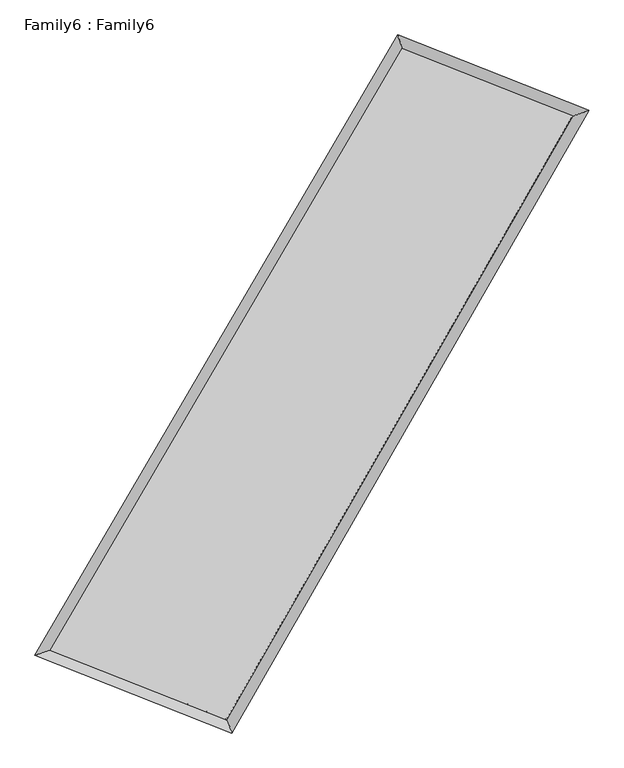
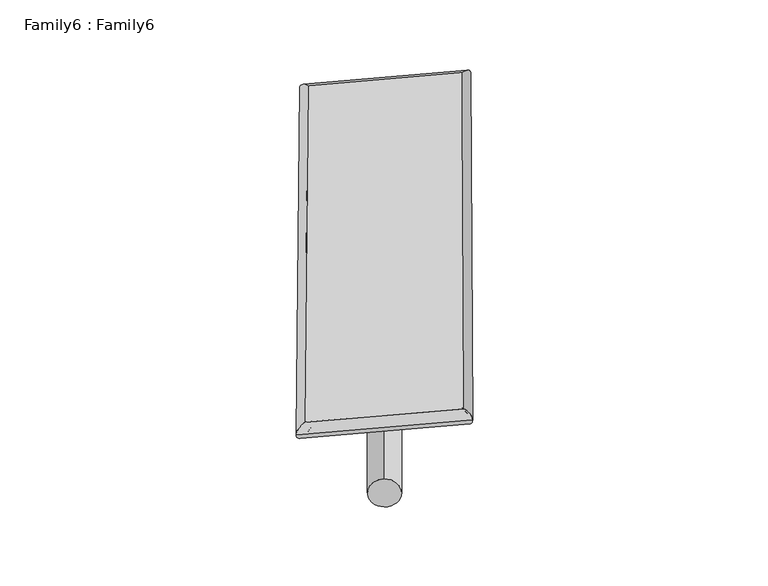
"""IFC4 building model written with IfcOpenShell, lengths in millimetres: plate geometry, Family6 : Family6."""

from ifc_helpers import new_model, si_unit, point, frame, origin, origin_2d, place, context, project, spatial, circle_curve, ellipse_curve, trimmed, segment, composite_curve, outline, extrude, source, transform, mapped, element, save
from ifc_brep_helpers import plane_surface, cylinder_surface, spline_surface, advanced_brep


def family6_family6_0c6d3be4(model_context):
    return source(origin(), model_context, "Body", "SolidModel", [
        extrude(outline(composite_curve([segment(trimmed(circle_curve(origin_2d(), 76.2), [point((-75.4341514, -10.7763074))], [point((75.4341514, 10.7763074))], False, "CARTESIAN"), True, "CONTINUOUS"), segment(trimmed(circle_curve(origin_2d(), 76.2), [point((75.4341514, 10.7763074))], [point((-75.4341514, -10.7763074))], False, "CARTESIAN"), True, "CONTINUOUS")], self_intersect=False)), frame((9144.0, 9144.0, 0.0), z_axis=(0.6736005661143486, 0.6914691045828392, 0.26102251768350515), x_axis=(-0.6822415987235434, 0.7175507551699223, -0.14024020367290455)), (0.0, 0.0, 1.0), 5844.9512128),
        extrude(outline(composite_curve([segment(trimmed(circle_curve(origin_2d(), 76.2), [point((-53.8815367, 53.8815367))], [point((53.8815367, -53.8815367))], False, "CARTESIAN"), True, "CONTINUOUS"), segment(trimmed(circle_curve(origin_2d(), 76.2), [point((53.8815367, -53.8815367))], [point((-53.8815367, 53.8815367))], False, "CARTESIAN"), True, "CONTINUOUS")], self_intersect=False)), frame((9144.0, 9144.0, 0.0), z_axis=(-0.6787750967955263, -0.6866995032290696, 0.26020791731838827), x_axis=(0.6328833200429623, -0.3673156577029362, 0.6815701804052586)), (0.0, 0.0, 1.0), 5863.7083644),
        extrude(outline(composite_curve([segment(trimmed(circle_curve(origin_2d(), 76.2), [point((-53.8815368, -53.8815367))], [point((53.8815368, 53.8815367))], False, "CARTESIAN"), True, "CONTINUOUS"), segment(trimmed(circle_curve(origin_2d(), 76.2), [point((53.8815368, 53.8815367))], [point((-53.8815368, -53.8815367))], False, "CARTESIAN"), True, "CONTINUOUS")], self_intersect=False)), frame((9144.0, 9144.0, 0.0), z_axis=(0.2451510004083825, 0.9285955641302539, 0.27858798480262004), x_axis=(-0.8459692296469801, 0.3452526113995301, -0.4063701475407614)), (0.0, 0.0, 1.0), 5457.9872852),
        extrude(outline(composite_curve([segment(trimmed(circle_curve(origin_2d(), 76.2), [point((-75.4341514, 10.7763073))], [point((75.4341514, -10.7763073))], False, "CARTESIAN"), True, "CONTINUOUS"), segment(trimmed(circle_curve(origin_2d(), 76.2), [point((75.4341514, -10.7763073))], [point((-75.4341514, 10.7763073))], False, "CARTESIAN"), True, "CONTINUOUS")], self_intersect=False)), frame((9144.0, 9144.0, 0.0), z_axis=(-0.2372067512369655, -0.9307300801053053, 0.2783423703908129), x_axis=(0.8885756211713803, -0.09206766282418527, 0.4493961625581463)), (0.0, 0.0, 1.0), 5463.6864873),
        advanced_brep(
        [(4942.5610546, 5040.8515095, 1525.4363675), (4942.5602049, 5040.8504069, 1526.2405256), (5385.1605201, 5193.9372487, 1526.1303151), (10547.6105113, 14022.5006547, 1521.0304841), (10416.451575, 14402.0249095, 1520.0288736), (5385.1613699, 5193.9383512, 1525.3261569), (12861.3242258, 13108.5813371, 1525.6008858), (13301.000666, 13262.6250259, 1525.7268768), (7781.3120211, 4248.8997182, 1520.8555352), (7914.6413361, 3868.6655578, 1520.6953607)],
        [
            (0, 1, ellipse_curve(frame((5163.8607874, 5117.3943791, 1525.7833413), z_axis=(-0.3268795513962672, 0.9450655298831953, 0.0009503186679035657), x_axis=(-0.9450644764728137, -0.3268806666436222, 0.0014714223688599409)), 234.1648005, 152.4)),
            (1, 2, ellipse_curve(frame((5163.8607874, 5117.3943791, 1525.7833413), z_axis=(-0.3268795513962672, 0.9450655298831953, 0.0009503186679035657), x_axis=(-0.9450644764728137, -0.3268806666436222, 0.0014714223688599409)), 234.1648005, 152.4)),
            (2, 3),
            (3, 4, ellipse_curve(frame((10482.0310432, 14212.2627821, 1520.5296789), z_axis=(-0.9451502554200367, -0.32663468469103285, -0.0008817234424888865), x_axis=(0.3266327909760449, -0.945149618531149, 0.0017940037967796455)), 200.7749909, 152.4)),
            (4, 0),
            (2, 5, ellipse_curve(frame((5163.8607874, 5117.3943791, 1525.7833413), z_axis=(-0.3268795513962672, 0.9450655298831953, 0.0009503186679035657), x_axis=(-0.9450644764728137, -0.3268806666436222, 0.0014714223688599409)), 234.1648005, 152.4)),
            (5, 0, ellipse_curve(frame((5163.8607874, 5117.3943791, 1525.7833413), z_axis=(-0.3268795513962672, 0.9450655298831953, 0.0009503186679035657), x_axis=(-0.9450644764728137, -0.3268806666436222, 0.0014714223688599409)), 234.1648005, 152.4)),
            (4, 3, ellipse_curve(frame((10482.0310432, 14212.2627821, 1520.5296789), z_axis=(-0.9451502554200367, -0.32663468469103285, -0.0008817234424888865), x_axis=(0.3266327909760449, -0.945149618531149, 0.0017940037967796455)), 200.7749909, 152.4)),
            (3, 6),
            (6, 7, ellipse_curve(frame((13081.1624459, 13185.6031815, 1525.6638813), z_axis=(-0.33065005290032523, 0.9437528501547529, -0.0010489717788280148), x_axis=(-0.9437517486975099, -0.33065135849280464, -0.001521826946391585)), 232.9406041, 152.4)),
            (7, 4),
            (7, 6, ellipse_curve(frame((13081.1624459, 13185.6031815, 1525.6638813), z_axis=(-0.33065005290032523, 0.9437528501547529, -0.0010489717788280148), x_axis=(-0.9437517486975099, -0.33065135849280464, -0.001521826946391585)), 232.9406041, 152.4)),
            (6, 8),
            (8, 9, ellipse_curve(frame((7847.9766786, 4058.782638, 1520.7754479), z_axis=(0.9436663390978404, 0.330897468549068, -0.0008400961244637797), x_axis=(-0.33089578372825756, 0.9436658047255752, 0.0016820530595281827)), 201.4664667, 152.4)),
            (9, 7),
            (9, 8, ellipse_curve(frame((7847.9766786, 4058.782638, 1520.7754479), z_axis=(0.9436663390978404, 0.330897468549068, -0.0008400961244637797), x_axis=(-0.33089578372825756, 0.9436658047255752, 0.0016820530595281827)), 201.4664667, 152.4)),
            (8, 5),
            (1, 9),
        ],
        [
            cylinder_surface(frame((5163.8607874, 5117.3943791, 1525.7833413), z_axis=(-0.5047793058575684, -0.863248286253535, 0.0004986564815848736), x_axis=(-0.8632455864102359, 0.5047760759582819, -0.002858440730010758)), 152.4),
            cylinder_surface(frame((10482.0310432, 14212.2627821, 1520.5296789), z_axis=(-0.9300697084381567, 0.3673784997554719, -0.0018372161498297582), x_axis=(0.36738150502999006, 0.9300687632106199, -0.0017103981312151391)), 152.4),
            cylinder_surface(frame((13081.1624459, 13185.6031815, 1525.6638813), z_axis=(0.497418061046401, 0.867510839497729, 0.00046464909836096177), x_axis=(0.8675109551055102, -0.497418061046401, -0.00012376091676974155)), 152.4),
            cylinder_surface(frame((7847.9766786, 4058.782638, 1520.7754479), z_axis=(0.9302612189029246, -0.3668937886799321, -0.0017356362898817504), x_axis=(-0.3668925923559331, -0.9302627987462492, 0.0009751631343287705)), 152.4),
        ],
        [
            (0, [[1, 2, 3, 4, 5]]),
            (0, [[6, 7, -5, 8, -3]]),
            (1, [[-4, 9, 10, 11]]),
            (1, [[-8, -11, 12, -9]]),
            (2, [[-10, 13, 14, 15]]),
            (2, [[-12, -15, 16, -13]]),
            (3, [[-14, 17, -6, -2, 18]]),
            (3, [[-16, -18, -1, -7, -17]]),
        ],
    ),
        extrude(outline(composite_curve([segment(trimmed(circle_curve(origin_2d(), 304.8), [point((0.0, -304.8))], [point((1e-07, 304.8))], False, "CARTESIAN"), True, "CONTINUOUS"), segment(trimmed(circle_curve(origin_2d(), 304.8), [point((1e-07, 304.8))], [point((0.0, -304.8))], False, "CARTESIAN"), True, "CONTINUOUS")], self_intersect=False)), frame((6495.111881, 4567.9935087, -0.0002794), z_axis=(0.5009826126598684, 0.8654573483496975, 5.28433481327406e-08), x_axis=(-0.8654573483496989, 0.5009826126598684, 1.4191478906047142e-08)), (0.0, 0.0, 1.0), 10574.7706691),
        advanced_brep(
        [(5163.8607874, 5117.3943791, 1525.7833413), (7847.9766786, 4058.782638, 1520.7754479), (7847.9784927, 4058.7846482, 1673.1754479), (5163.8626015, 5117.3963893, 1678.1833412), (13081.1624459, 13185.6031815, 1525.6638813), (13081.16426, 13185.6051917, 1678.0638813), (10482.0310432, 14212.2627821, 1520.5296789), (10482.0328573, 14212.2647923, 1672.9296788)],
        [
            (0, 1),
            (1, 2),
            (2, 3),
            (3, 0),
            (1, 4),
            (4, 5),
            (5, 2),
            (4, 6),
            (6, 7),
            (7, 5),
            (6, 0),
            (3, 7),
        ],
        [
            plane_surface(frame((6505.918733, 4588.0885085, 1523.2793946), z_axis=(-0.366894314388451, -0.9302626305472076, 1.6637858898465164e-05), x_axis=(0.9302612189029245, -0.36689378867993205, -0.0017356362898817512))),
            plane_surface(frame((10464.5695622, 8622.1929097, 1523.2196646), z_axis=(0.8675109340091435, -0.4974181132210659, -3.7654159794965104e-06), x_axis=(0.4974180610464009, 0.8675108394977289, 0.0004646490983609612))),
            plane_surface(frame((11781.5967445, 13698.9329818, 1523.0967801), z_axis=(0.3673791481595081, 0.9300712667428601, -1.664110602480728e-05), x_axis=(-0.9300697084381566, 0.367378499755472, -0.0018372161498297586))),
            plane_surface(frame((7822.9459153, 9664.8285806, 1523.1565101), z_axis=(-0.8632483926642399, 0.5047793701702951, 3.617578744085536e-06), x_axis=(-0.5047793058575686, -0.8632482862535349, 0.0004986564815848727))),
            spline_surface(1, 1, [[(7847.9784927, 4058.7846482, 1673.1754479), (5163.8626015, 5117.3963893, 1678.1833412)], [(13081.16426, 13185.6051917, 1678.0638813), (10482.0328573, 14212.2647923, 1672.9296788)]], [2, 2], [2, 2], [0.0, 1.0], [0.0, 1.0]),
            spline_surface(1, 1, [[(10482.0310432, 14212.2627821, 1520.5296789), (5163.8607874, 5117.3943791, 1525.7833413)], [(13081.1624459, 13185.6031815, 1525.6638813), (7847.9766786, 4058.782638, 1520.7754479)]], [2, 2], [2, 2], [0.0, 1.0], [0.0, 1.0]),
        ],
        [
            (0, [[1, 2, 3, 4]]),
            (1, [[5, 6, 7, -2]]),
            (2, [[8, 9, 10, -6]]),
            (3, [[11, -4, 12, -9]]),
            (4, [[-3, -7, -10, -12]]),
            (5, [[-11, -8, -5, -1]]),
        ],
    ),
    ])


if __name__ == "__main__":
    model = new_model("IFC4")
    model_context = context("Model", 3, world=origin())
    ifc_project = project(units=[si_unit("LENGTHUNIT", "METRE", prefix="MILLI")], contexts=[model_context])
    site = spatial("IfcSite", under=ifc_project)
    building = spatial("IfcBuilding", under=site)
    placement = place(None, origin())
    family6_family6_shape = family6_family6_0c6d3be4(model_context)
    element("IfcPlate", 1, ObjectType="Family6 : Family6", at=placement, inside=building, context=model_context, shape_type="MappedRepresentation", body=[
        mapped(family6_family6_shape, transform((0.0, 0.0, 0.0), x_axis=(1.0, 0.0, 0.0), y_axis=(0.0, 1.0, 0.0), z_axis=(0.0, 0.0, 1.0))),
    ])
    save(model, "model.ifc")
